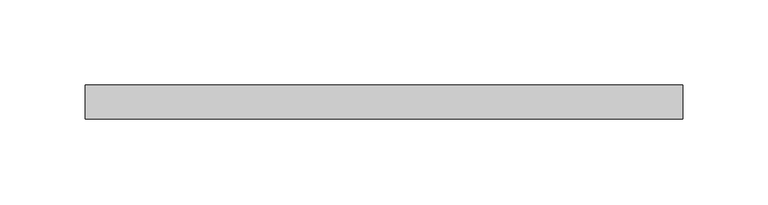
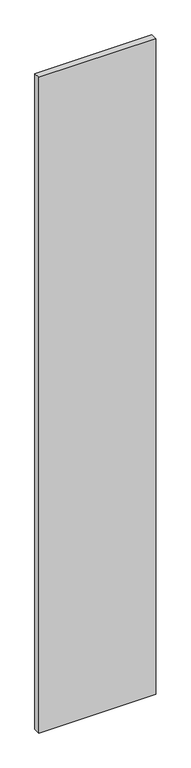
"""IFC4 building model written with IfcOpenShell, lengths in millimetres: plate geometry."""

from ifc_helpers import new_model, si_unit, origin, origin_with_axes, place, context, project, spatial, polyline, outline, extrude, source, transform, mapped, element, save


def plate_115600c3(model_context):
    return source(origin(), model_context, "Body", "SweptSolid", [
        extrude(outline(polyline([(175.0, 20.0), (-175.0, 20.0), (-175.0, 40.0), (175.0, 40.0), (175.0, 20.0)])), origin_with_axes(), (0.0, 0.0, 1.0), 2075.0),
    ])


if __name__ == "__main__":
    model = new_model("IFC4")
    model_context = context("Model", 3, world=origin())
    ifc_project = project(units=[si_unit("LENGTHUNIT", "METRE", prefix="MILLI")], contexts=[model_context])
    site = spatial("IfcSite", under=ifc_project)
    building = spatial("IfcBuilding", under=site)
    placement = place(None, origin())
    plate_shape = plate_115600c3(model_context)
    element("IfcPlate", 1, at=placement, inside=building, context=model_context, shape_type="MappedRepresentation", body=[
        mapped(plate_shape, transform((0.0, 0.0, 0.0), x_axis=(1.0, 0.0, 0.0), y_axis=(0.0, 1.0, 0.0), z_axis=(0.0, 0.0, 1.0))),
    ])
    save(model, "model.ifc")
